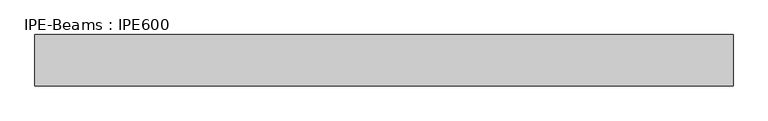
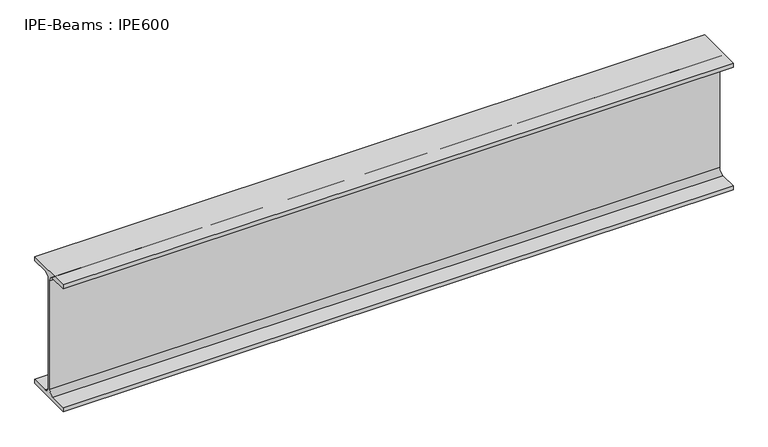
"""IFC4 building model written with IfcOpenShell, lengths in millimetres: beam geometry, IPE-Beams : IPE600."""

from ifc_helpers import new_model, si_unit, point, frame, frame_2d, origin, place, context, project, spatial, polyline, circle_curve, trimmed, segment, composite_curve, outline, extrude, source, transform, mapped, element, save


def ipe_beams_ipe600_8f099006(model_context):
    return source(origin(), model_context, "Body", "SweptSolid", [
        extrude(outline(composite_curve([segment(polyline([(110.0, -281.0), (110.0, -300.0), (-110.0, -300.0), (-110.0, -281.0), (-30.0, -281.0)]), True, "CONTINUOUS"), segment(trimmed(circle_curve(frame_2d((-30.0, -257.0)), 24.0), [point((-30.0, -281.0))], [point((-6.0, -257.0))], True, "CARTESIAN"), True, "CONTINUOUS"), segment(polyline([(-6.0, -257.0), (-6.0, 257.0)]), True, "CONTINUOUS"), segment(trimmed(circle_curve(frame_2d((-30.0, 257.0)), 24.0), [point((-6.0, 257.0))], [point((-30.0, 281.0))], True, "CARTESIAN"), True, "CONTINUOUS"), segment(polyline([(-30.0, 281.0), (-110.0, 281.0), (-110.0, 300.0), (110.0, 300.0), (110.0, 281.0), (30.0, 281.0)]), True, "CONTINUOUS"), segment(trimmed(circle_curve(frame_2d((30.0, 257.0)), 24.0), [point((30.0, 281.0))], [point((6.0, 257.0))], True, "CARTESIAN"), True, "CONTINUOUS"), segment(polyline([(6.0, 257.0), (6.0, -257.0)]), True, "CONTINUOUS"), segment(trimmed(circle_curve(frame_2d((30.0, -257.0)), 24.0), [point((6.0, -257.0))], [point((30.0, -281.0))], True, "CARTESIAN"), True, "CONTINUOUS"), segment(polyline([(30.0, -281.0), (110.0, -281.0)]), True, "CONTINUOUS")], self_intersect=False)), frame((-1500.0, 0.0, 0.0), z_axis=(1.0, 0.0, 0.0), x_axis=(0.0, 1.0, 0.0)), (0.0, 0.0, 1.0), 3000.0),
    ])


if __name__ == "__main__":
    model = new_model("IFC4")
    model_context = context("Model", 3, world=origin())
    ifc_project = project(units=[si_unit("LENGTHUNIT", "METRE", prefix="MILLI")], contexts=[model_context])
    site = spatial("IfcSite", under=ifc_project)
    building = spatial("IfcBuilding", under=site)
    placement = place(None, origin())
    ipe_beams_ipe600_shape = ipe_beams_ipe600_8f099006(model_context)
    element("IfcBeam", 1, ObjectType="IPE-Beams : IPE600", at=placement, inside=building, context=model_context, shape_type="MappedRepresentation", body=[
        mapped(ipe_beams_ipe600_shape, transform((0.0, 0.0, 0.0), x_axis=(1.0, 0.0, 0.0), y_axis=(0.0, 1.0, 0.0), z_axis=(0.0, 0.0, 1.0))),
    ])
    save(model, "model.ifc")
